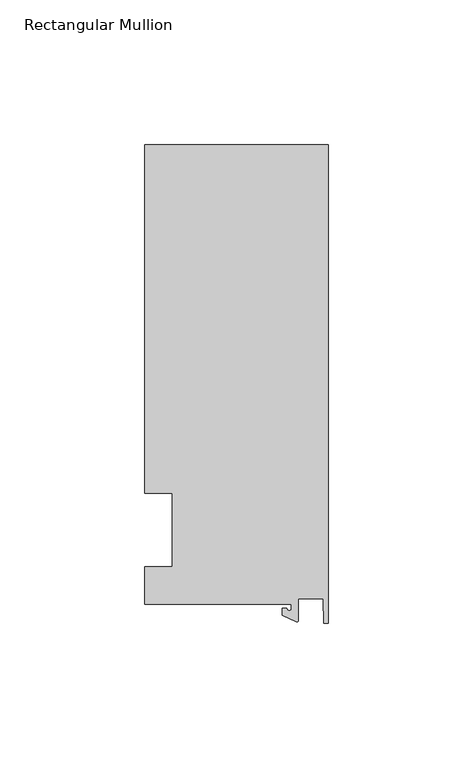
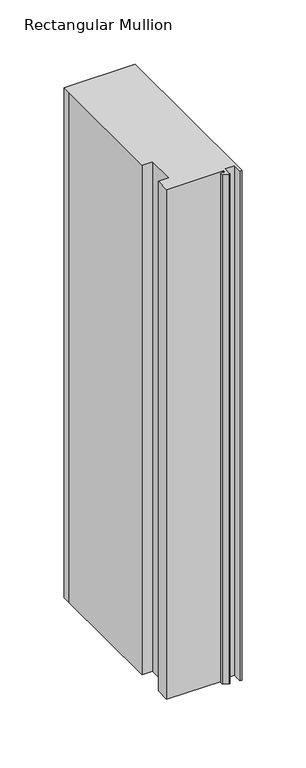
"""IFC4 building model written with IfcOpenShell, lengths in millimetres: member geometry, Rectangular Mullion."""

from ifc_helpers import new_model, si_unit, point, frame, frame_2d, origin, place, context, project, spatial, polyline, circle_curve, trimmed, segment, composite_curve, outline, extrude, source, transform, mapped, element, save


def rectangular_mullion_28bffe89(model_context):
    return source(origin(), model_context, "Body", "SweptSolid", [
        extrude(outline(composite_curve([segment(polyline([(-12.6979967, -25.796875), (-63.5, -25.796875), (-63.5, -12.7), (-53.975, -12.7), (-53.975, 12.7), (-63.5, 12.7), (-63.5, 125.4797866), (-63.5, 133.2272736), (0.0, 133.2272736), (0.0, -32.288874), (-1.5658966, -32.288874), (-1.7144124, -23.9227662), (-10.3103967, -23.9227662), (-10.3103967, -31.3654561)]), True, "CONTINUOUS"), segment(trimmed(circle_curve(frame_2d((-10.8183967, -31.3654561)), 0.508), [point((-10.3103967, -31.3654561))], [point((-11.0330867, -31.8258605))], False, "CARTESIAN"), True, "CONTINUOUS"), segment(polyline([(-11.0330867, -31.8258605), (-15.8729967, -29.5689734), (-15.8729967, -27.2067741), (-14.2854967, -27.2067741)]), True, "CONTINUOUS"), segment(trimmed(circle_curve(frame_2d((-13.4917467, -27.2067741)), 0.79375), [point((-14.2854967, -27.2067741))], [point((-12.6979967, -27.2067741))], True, "CARTESIAN"), True, "CONTINUOUS"), segment(polyline([(-12.6979967, -27.2067741), (-12.6979967, -25.796875)]), True, "CONTINUOUS")], self_intersect=False)), frame((0.0, 0.0, -482.6), z_axis=(0.0, 0.0, 1.0), x_axis=(1.0, 0.0, 0.0)), (0.0, 0.0, 1.0), 482.6),
    ])


if __name__ == "__main__":
    model = new_model("IFC4")
    model_context = context("Model", 3, world=origin())
    ifc_project = project(units=[si_unit("LENGTHUNIT", "METRE", prefix="MILLI")], contexts=[model_context])
    site = spatial("IfcSite", under=ifc_project)
    building = spatial("IfcBuilding", under=site)
    placement = place(None, origin())
    rectangular_mullion_shape = rectangular_mullion_28bffe89(model_context)
    element("IfcMember", 1, ObjectType="Rectangular Mullion", at=placement, inside=building, context=model_context, shape_type="MappedRepresentation", body=[
        mapped(rectangular_mullion_shape, transform((0.0, 0.0, 0.0), x_axis=(1.0, 0.0, 0.0), y_axis=(0.0, 1.0, 0.0), z_axis=(0.0, 0.0, 1.0))),
    ])
    save(model, "model.ifc")
